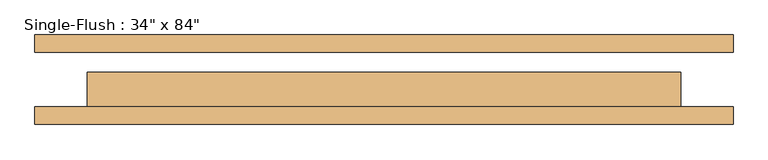
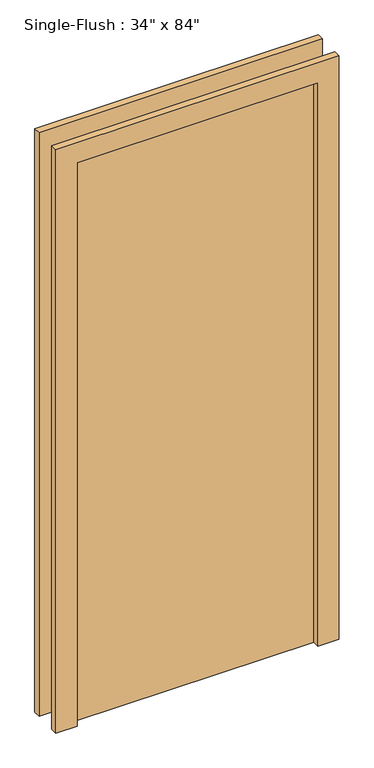
"""IFC4 building model written with IfcOpenShell, lengths in millimetres: door geometry."""

import ifcopenshell
import ifcopenshell.guid

model = None  # the IFC model being written
_history = None  # IfcOwnerHistory: only IFC2X3 demands one
_inside = {}  # id of a spatial element -> (the spatial element, [elements in it])
_under = {}  # id of a project, library or spatial element -> (it, [spatial elements below it])
_declared = {}  # id of a project -> (the project, [libraries it declares])
_typed = {}  # id of a type object -> (the type object, [elements of that type])
_made_of = {}  # id of a material, layer set ... -> (it, [elements and type objects made of it])


def new_model(schema):
    """Start an empty IFC model of exactly this schema.

    Asked for "IFC4X3", IfcOpenShell would pick the latest addendum, in which some entities
    have other attributes; the version numbers below select the first issue.
    IFC2X3 requires an IfcOwnerHistory on every rooted entity: one is made here for all.
    """
    global model, _history
    if schema == "IFC4X3":
        model = ifcopenshell.file(schema_version=(4, 3, 0, 0))
    else:
        model = ifcopenshell.file(schema=schema)
    _inside.clear()
    _under.clear()
    _declared.clear()
    _typed.clear()
    _made_of.clear()
    _history = None
    if model.schema == "IFC2X3":
        org = make("IfcOrganization", Name="unknown")
        user = make(
            "IfcPersonAndOrganization",
            ThePerson=make("IfcPerson", FamilyName="unknown"),
            TheOrganization=org,
        )
        app = make(
            "IfcApplication",
            ApplicationDeveloper=org,
            Version="unknown",
            ApplicationFullName="unknown",
            ApplicationIdentifier="unknown",
        )
        _history = make(
            "IfcOwnerHistory",
            OwningUser=user,
            OwningApplication=app,
            ChangeAction="ADDED",
            CreationDate=0,
        )
    return model


def make(cls, **values):
    """One entity of the class cls with the attributes given. An attribute that is None is left unset."""
    return model.create_entity(
        cls, **{name: value for name, value in values.items() if value is not None}
    )


def rooted(cls, **values):
    """An entity with a GlobalId (a new one), such as an element, a storey or a relation."""
    return make(cls, GlobalId=ifcopenshell.guid.new(), OwnerHistory=_history, **values)


def si_unit(unit_type, name, prefix=None):
    """IfcSIUnit, for example si_unit("LENGTHUNIT", "METRE", prefix="MILLI")."""
    return make("IfcSIUnit", UnitType=unit_type, Prefix=prefix, Name=name)


def assignment(units):
    """IfcUnitAssignment: the units of a project."""
    return None if units is None else make("IfcUnitAssignment", Units=units)


def point(xyz):
    """IfcCartesianPoint."""
    return None if xyz is None else make("IfcCartesianPoint", Coordinates=xyz)


def direction(xyz):
    """IfcDirection."""
    return None if xyz is None else make("IfcDirection", DirectionRatios=xyz)


def frame(location, z_axis=None, x_axis=None):
    """IfcAxis2Placement3D, a coordinate frame: its origin and axes. An axis left out is left unset."""
    return make(
        "IfcAxis2Placement3D",
        Location=point(location),
        Axis=direction(z_axis),
        RefDirection=direction(x_axis),
    )


def origin():
    """The frame at (0, 0, 0) with its axes left unset."""
    return frame((0.0, 0.0, 0.0))


def origin_with_axes():
    """The frame at (0, 0, 0) with the z axis (0, 0, 1) and the x axis (1, 0, 0) written out."""
    return frame((0.0, 0.0, 0.0), z_axis=(0.0, 0.0, 1.0), x_axis=(1.0, 0.0, 0.0))


def place(relative_to, where):
    """IfcLocalPlacement: puts the frame where relative to a parent placement (None: the world)."""
    return make(
        "IfcLocalPlacement", PlacementRelTo=relative_to, RelativePlacement=where
    )


def context(
    kind, dimensions, precision=None, world=None, true_north=None, identifier=None
):
    """IfcGeometricRepresentationContext, for example the 3D "Model" context."""
    return make(
        "IfcGeometricRepresentationContext",
        ContextIdentifier=identifier,
        ContextType=kind,
        CoordinateSpaceDimension=dimensions,
        Precision=precision,
        WorldCoordinateSystem=world,
        TrueNorth=true_north,
    )


def project(units=None, contexts=None):
    """IfcProject with its units and contexts."""
    return rooted(
        "IfcProject",
        Name="project",
        RepresentationContexts=contexts,
        UnitsInContext=assignment(units),
    )


def spatial(cls, under=None, at=None, **own):
    """A site, building, storey or space (cls), placed at a placement, below another one or the project."""
    s = rooted(cls, ObjectPlacement=at, **own)
    if under is not None:
        _under.setdefault(under.id(), (under, []))[1].append(s)
    return s


def polyline(points):
    """IfcPolyline through the points."""
    return make("IfcPolyline", Points=[point(p) for p in points])


def outline(outer, holes=None, kind="AREA"):
    """IfcArbitraryClosedProfileDef: a profile drawn as a closed curve; with holes, ...WithVoids."""
    if holes is None:
        return make("IfcArbitraryClosedProfileDef", ProfileType=kind, OuterCurve=outer)
    return make(
        "IfcArbitraryProfileDefWithVoids",
        ProfileType=kind,
        OuterCurve=outer,
        InnerCurves=holes,
    )


def extrude(swept, where, along, depth):
    """IfcExtrudedAreaSolid: the profile swept, set in the frame where, extruded along a direction by depth."""
    return make(
        "IfcExtrudedAreaSolid",
        SweptArea=swept,
        Position=where,
        ExtrudedDirection=direction(along),
        Depth=depth,
    )


def shape(context_of_items, identifier, shape_type, items):
    """IfcShapeRepresentation: the items that make up one representation, for example the "Body"."""
    return make(
        "IfcShapeRepresentation",
        ContextOfItems=context_of_items,
        RepresentationIdentifier=identifier,
        RepresentationType=shape_type,
        Items=items,
    )


def source(mapping_origin, context_of_items, identifier, shape_type, items):
    """IfcRepresentationMap: a shape defined once, which mapped items show again and again."""
    return make(
        "IfcRepresentationMap",
        MappingOrigin=mapping_origin,
        MappedRepresentation=shape(context_of_items, identifier, shape_type, items),
    )


def transform(
    local_origin,
    x_axis=None,
    y_axis=None,
    z_axis=None,
    scale=None,
    scale2=None,
    scale3=None,
    uniform=True,
):
    """IfcCartesianTransformationOperator3D, or its non-uniform kind. x_axis, y_axis, z_axis: its Axis1, 2, 3."""
    if uniform:
        return make(
            "IfcCartesianTransformationOperator3D",
            Axis1=direction(x_axis),
            Axis2=direction(y_axis),
            LocalOrigin=point(local_origin),
            Scale=scale,
            Axis3=direction(z_axis),
        )
    return make(
        "IfcCartesianTransformationOperator3DnonUniform",
        Axis1=direction(x_axis),
        Axis2=direction(y_axis),
        LocalOrigin=point(local_origin),
        Scale=scale,
        Axis3=direction(z_axis),
        Scale2=scale2,
        Scale3=scale3,
    )


def mapped(mapping_source, mapping_target):
    """IfcMappedItem: shows the shape of a source again, moved by a transform."""
    return make(
        "IfcMappedItem", MappingSource=mapping_source, MappingTarget=mapping_target
    )


def made_of(thing, what):
    """Note that an element or type object is made of a material, layer set ...; save() writes the relation."""
    if what is not None:
        _made_of.setdefault(what.id(), (what, []))[1].append(thing)
    return thing


def element(
    cls,
    number,
    at=None,
    inside=None,
    cuts=None,
    type_object=None,
    material=None,
    context=None,
    identifier="Body",
    shape_type=None,
    held_by="IfcProductDefinitionShape",
    body=None,
    shapes=None,
    **own,
):
    """One element of the class cls, such as IfcWall. Its Tag is "e" and its number.

    at: its placement. inside: the storey or other place that contains it. cuts: it is an
    opening in that element (IfcRelVoidsElement). A single representation is given by context,
    identifier, shape_type and body (its items); several are given by shapes. held_by: the class
    of the entity that holds the representations. save() writes the other relations.
    """
    e = rooted(cls, Tag="e%d" % number, ObjectPlacement=at, **own)
    if body is not None:
        shapes = [shape(context, identifier, shape_type, body)]
    if shapes is not None:
        e.Representation = make(held_by, Representations=shapes)
    if inside is not None:
        _inside.setdefault(inside.id(), (inside, []))[1].append(e)
    if cuts is not None:
        rooted(
            "IfcRelVoidsElement", RelatingBuildingElement=cuts, RelatedOpeningElement=e
        )
    if type_object is not None:
        _typed.setdefault(type_object.id(), (type_object, []))[1].append(e)
    return made_of(e, material)


def aggregate(whole, parts):
    """IfcRelAggregates: a whole, such as a stair, and the parts it consists of."""
    return rooted("IfcRelAggregates", RelatingObject=whole, RelatedObjects=parts)


def save(model, path):
    """Write the relations noted so far, then the file.

    IfcRelAggregates (storeys below a building ...), IfcRelContainedInSpatialStructure (elements
    in a storey), IfcRelDefinesByType, IfcRelAssociatesMaterial and IfcRelDeclares: one each for
    every whole, place, type object, material and project.
    """
    for whole, parts in _under.values():
        aggregate(whole, parts)
    for where, things in _inside.values():
        rooted(
            "IfcRelContainedInSpatialStructure",
            RelatedElements=things,
            RelatingStructure=where,
        )
    for kind, things in _typed.values():
        rooted("IfcRelDefinesByType", RelatedObjects=things, RelatingType=kind)
    for what, things in _made_of.values():
        rooted("IfcRelAssociatesMaterial", RelatedObjects=things, RelatingMaterial=what)
    for by, libraries in _declared.values():
        rooted("IfcRelDeclares", RelatingContext=by, RelatedDefinitions=libraries)
    model.write(path)


def door_c2681184(model_context):
    return source(origin(), model_context, "Body", "SweptSolid", [
        extrude(outline(polyline([(2209.8, -508.0), (0.0, -508.0), (0.0, -431.8), (2133.6, -431.8), (2133.6, 431.8), (0.0, 431.8), (0.0, 508.0), (2209.8, 508.0), (2209.8, -508.0)])), frame((0.0, -65.0875, 0.0), z_axis=(0.0, 1.0, 0.0), x_axis=(0.0, 0.0, 1.0)), (0.0, 0.0, 1.0), 25.4),
        extrude(outline(polyline([(2209.8, 508.0), (2209.8, -508.0), (0.0, -508.0), (0.0, -431.8), (2133.6, -431.8), (2133.6, 431.8), (0.0, 431.8), (0.0, 508.0), (2209.8, 508.0)])), frame((0.0, 39.6875, 0.0), z_axis=(0.0, 1.0, 0.0), x_axis=(0.0, 0.0, 1.0)), (0.0, 0.0, 1.0), 25.4),
        extrude(outline(polyline([(431.8, 11.1125), (431.8, -39.6875), (-431.8, -39.6875), (-431.8, 11.1125), (431.8, 11.1125)])), origin_with_axes(), (0.0, 0.0, 1.0), 2133.6),
    ])


if __name__ == "__main__":
    model = new_model("IFC4")
    model_context = context("Model", 3, world=origin())
    ifc_project = project(units=[si_unit("LENGTHUNIT", "METRE", prefix="MILLI")], contexts=[model_context])
    site = spatial("IfcSite", under=ifc_project)
    building = spatial("IfcBuilding", under=site)
    placement = place(None, origin())
    door_shape = door_c2681184(model_context)
    element("IfcDoor", 1, ObjectType="Single-Flush : 34\" x 84\"", at=placement, inside=building, context=model_context, shape_type="MappedRepresentation", body=[
        mapped(door_shape, transform((0.0, 0.0, 0.0), x_axis=(1.0, 0.0, 0.0), y_axis=(0.0, 1.0, 0.0), z_axis=(0.0, 0.0, 1.0))),
    ])
    save(model, "model.ifc")
